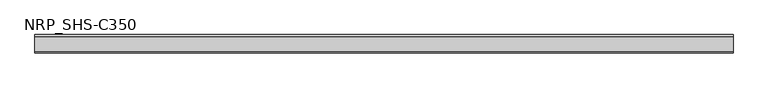
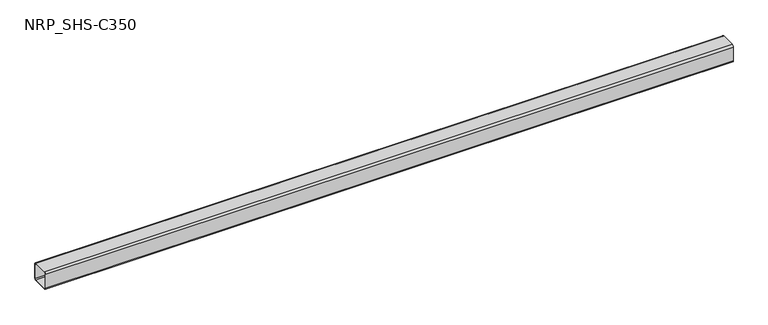
"""IFC4 building model written with IfcOpenShell, lengths in millimetres: member geometry, NRP_SHS-C350."""

from ifc_helpers import new_model, si_unit, point, frame, frame_2d, origin, place, context, project, spatial, polyline, circle_curve, trimmed, segment, composite_curve, outline, extrude, source, transform, mapped, element, save


def nrp_shs_c350_0d189d6c(model_context):
    return source(origin(), model_context, "Body", "SweptSolid", [
        extrude(outline(composite_curve([segment(polyline([(44.5, 35.75), (44.5, -35.75)]), True, "CONTINUOUS"), segment(trimmed(circle_curve(frame_2d((35.75, -35.75)), 8.75), [point((44.5, -35.75))], [point((35.75, -44.5))], False, "CARTESIAN"), True, "CONTINUOUS"), segment(polyline([(35.75, -44.5), (-35.75, -44.5)]), True, "CONTINUOUS"), segment(trimmed(circle_curve(frame_2d((-35.75, -35.75)), 8.75), [point((-35.75, -44.5))], [point((-44.5, -35.75))], False, "CARTESIAN"), True, "CONTINUOUS"), segment(polyline([(-44.5, -35.75), (-44.5, 35.75)]), True, "CONTINUOUS"), segment(trimmed(circle_curve(frame_2d((-35.75, 35.75)), 8.75), [point((-44.5, 35.75))], [point((-35.75, 44.5))], False, "CARTESIAN"), True, "CONTINUOUS"), segment(polyline([(-35.75, 44.5), (35.75, 44.5)]), True, "CONTINUOUS"), segment(trimmed(circle_curve(frame_2d((35.75, 35.75)), 8.75), [point((35.75, 44.5))], [point((44.5, 35.75))], False, "CARTESIAN"), True, "CONTINUOUS")], self_intersect=False), holes=[composite_curve([segment(trimmed(circle_curve(frame_2d((-35.75, 35.75)), 5.25), [point((-35.75, 41.0))], [point((-41.0, 35.75))], True, "CARTESIAN"), True, "CONTINUOUS"), segment(polyline([(-41.0, 35.75), (-41.0, -35.75)]), True, "CONTINUOUS"), segment(trimmed(circle_curve(frame_2d((-35.75, -35.75)), 5.25), [point((-41.0, -35.75))], [point((-35.75, -41.0))], True, "CARTESIAN"), True, "CONTINUOUS"), segment(polyline([(-35.75, -41.0), (35.75, -41.0)]), True, "CONTINUOUS"), segment(trimmed(circle_curve(frame_2d((35.75, -35.75)), 5.25), [point((35.75, -41.0))], [point((41.0, -35.75))], True, "CARTESIAN"), True, "CONTINUOUS"), segment(polyline([(41.0, -35.75), (41.0, 35.75)]), True, "CONTINUOUS"), segment(trimmed(circle_curve(frame_2d((35.75, 35.75)), 5.25), [point((41.0, 35.75))], [point((35.75, 41.0))], True, "CARTESIAN"), True, "CONTINUOUS"), segment(polyline([(35.75, 41.0), (-35.75, 41.0)]), True, "CONTINUOUS")], self_intersect=False)]), frame((-1702.0, 0.0, 0.0), z_axis=(1.0, 0.0, 0.0), x_axis=(0.0, 1.0, 0.0)), (0.0, 0.0, 1.0), 3354.0),
    ])


if __name__ == "__main__":
    model = new_model("IFC4")
    model_context = context("Model", 3, world=origin())
    ifc_project = project(units=[si_unit("LENGTHUNIT", "METRE", prefix="MILLI")], contexts=[model_context])
    site = spatial("IfcSite", under=ifc_project)
    building = spatial("IfcBuilding", under=site)
    placement = place(None, origin())
    nrp_shs_c350_shape = nrp_shs_c350_0d189d6c(model_context)
    element("IfcMember", 1, ObjectType="NRP_SHS-C350", at=placement, inside=building, context=model_context, shape_type="MappedRepresentation", body=[
        mapped(nrp_shs_c350_shape, transform((0.0, 0.0, 0.0), x_axis=(1.0, 0.0, 0.0), y_axis=(0.0, 1.0, 0.0), z_axis=(0.0, 0.0, 1.0))),
    ])
    save(model, "model.ifc")
